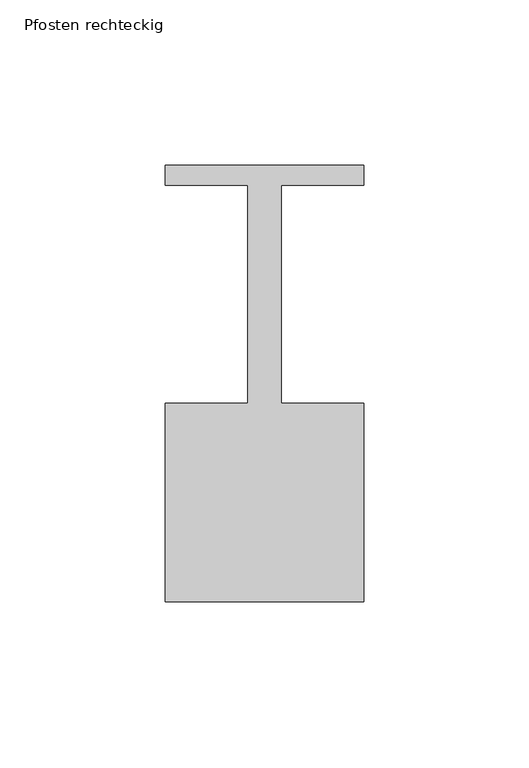
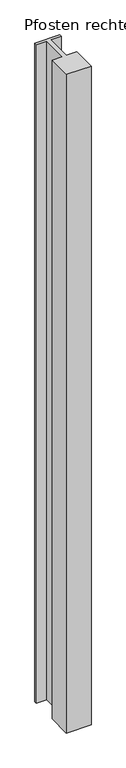
"""IFC4 building model written with IfcOpenShell, lengths in millimetres: member geometry, Pfosten rechteckig."""

from ifc_helpers import new_model, si_unit, frame, origin, place, context, project, spatial, polyline, outline, extrude, source, transform, mapped, element, save


def pfosten_rechteckig_76c4a930(model_context):
    return source(origin(), model_context, "Body", "SweptSolid", [
        extrude(outline(polyline([(30.0, 6.0), (30.0, 0.0), (5.0, 0.0), (5.0, -66.0), (30.0, -66.0), (30.0, -126.0), (-30.0, -126.0), (-30.0, -66.0), (-5.0, -66.0), (-5.0, 0.0), (-30.0, 0.0), (-30.0, 6.0), (30.0, 6.0)])), frame((0.0, 0.0, -1690.0), z_axis=(0.0, 0.0, 1.0), x_axis=(1.0, 0.0, 0.0)), (0.0, 0.0, 1.0), 1690.0),
    ])


if __name__ == "__main__":
    model = new_model("IFC4")
    model_context = context("Model", 3, world=origin())
    ifc_project = project(units=[si_unit("LENGTHUNIT", "METRE", prefix="MILLI")], contexts=[model_context])
    site = spatial("IfcSite", under=ifc_project)
    building = spatial("IfcBuilding", under=site)
    placement = place(None, origin())
    pfosten_rechteckig_shape = pfosten_rechteckig_76c4a930(model_context)
    element("IfcMember", 1, ObjectType="Pfosten rechteckig", at=placement, inside=building, context=model_context, shape_type="MappedRepresentation", body=[
        mapped(pfosten_rechteckig_shape, transform((0.0, 0.0, 0.0), x_axis=(1.0, 0.0, 0.0), y_axis=(0.0, 1.0, 0.0), z_axis=(0.0, 0.0, 1.0))),
    ])
    save(model, "model.ifc")
